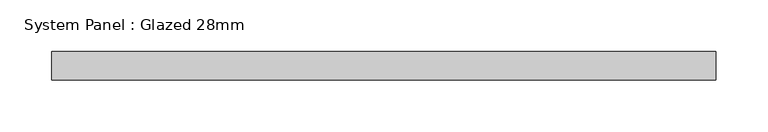
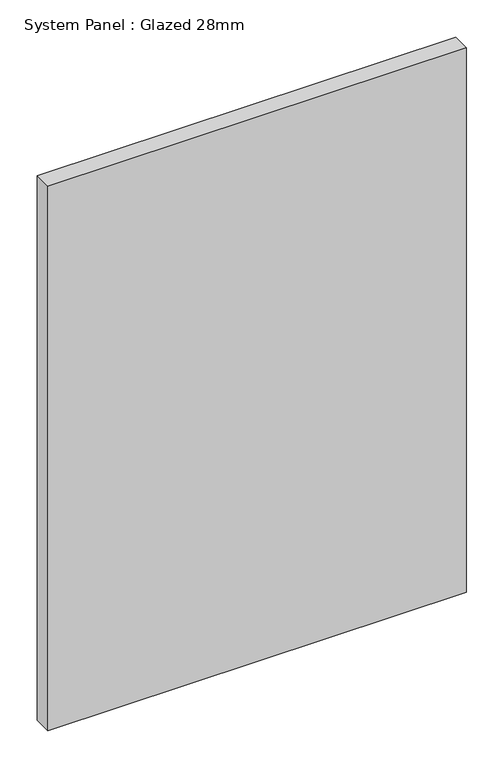
"""IFC4 building model written with IfcOpenShell, lengths in millimetres: plate geometry, System Panel : Glazed 28mm."""

from ifc_helpers import new_model, si_unit, origin, origin_with_axes, place, context, project, spatial, polyline, outline, extrude, source, transform, mapped, element, save


def system_panel_glazed_28mm_62090797(model_context):
    return source(origin(), model_context, "Body", "SweptSolid", [
        extrude(outline(polyline([(322.5938476, -14.0), (-322.5938476, -14.0), (-322.5938476, 14.0), (322.5938476, 14.0), (322.5938476, -14.0)])), origin_with_axes(), (0.0, 0.0, 1.0), 887.6852275),
    ])


if __name__ == "__main__":
    model = new_model("IFC4")
    model_context = context("Model", 3, world=origin())
    ifc_project = project(units=[si_unit("LENGTHUNIT", "METRE", prefix="MILLI")], contexts=[model_context])
    site = spatial("IfcSite", under=ifc_project)
    building = spatial("IfcBuilding", under=site)
    placement = place(None, origin())
    system_panel_glazed_28mm_shape = system_panel_glazed_28mm_62090797(model_context)
    element("IfcPlate", 1, ObjectType="System Panel : Glazed 28mm", at=placement, inside=building, context=model_context, shape_type="MappedRepresentation", body=[
        mapped(system_panel_glazed_28mm_shape, transform((0.0, 0.0, 0.0), x_axis=(1.0, 0.0, 0.0), y_axis=(0.0, 1.0, 0.0), z_axis=(0.0, 0.0, 1.0))),
    ])
    save(model, "model.ifc")
